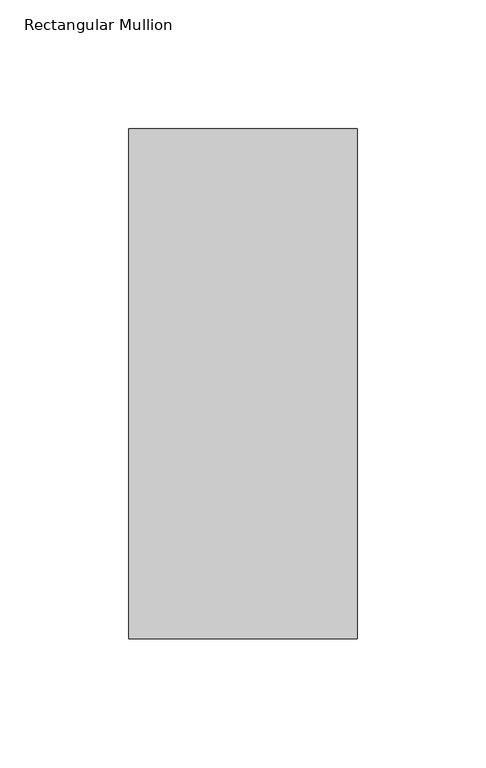
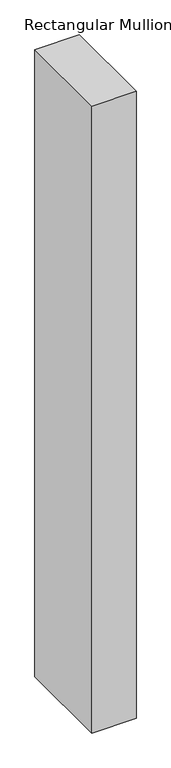
"""IFC4 building model written with IfcOpenShell, lengths in millimetres: member geometry, Rectangular Mullion."""

from ifc_helpers import new_model, si_unit, frame, origin, place, context, project, spatial, polyline, outline, extrude, source, transform, mapped, element, save


def rectangular_mullion_5a43b4a1(model_context):
    return source(origin(), model_context, "Body", "SweptSolid", [
        extrude(outline(polyline([(-88.9, 42.06875), (0.0, 42.06875), (0.0, -156.36875), (-88.9, -156.36875), (-88.9, 42.06875)])), frame((0.0, 0.0, -1333.1421827), z_axis=(0.0, 0.0, 1.0), x_axis=(1.0, 0.0, 0.0)), (0.0, 0.0, 1.0), 1333.1421827),
    ])


if __name__ == "__main__":
    model = new_model("IFC4")
    model_context = context("Model", 3, world=origin())
    ifc_project = project(units=[si_unit("LENGTHUNIT", "METRE", prefix="MILLI")], contexts=[model_context])
    site = spatial("IfcSite", under=ifc_project)
    building = spatial("IfcBuilding", under=site)
    placement = place(None, origin())
    rectangular_mullion_shape = rectangular_mullion_5a43b4a1(model_context)
    element("IfcMember", 1, ObjectType="Rectangular Mullion", at=placement, inside=building, context=model_context, shape_type="MappedRepresentation", body=[
        mapped(rectangular_mullion_shape, transform((0.0, 0.0, 0.0), x_axis=(1.0, 0.0, 0.0), y_axis=(0.0, 1.0, 0.0), z_axis=(0.0, 0.0, 1.0))),
    ])
    save(model, "model.ifc")
